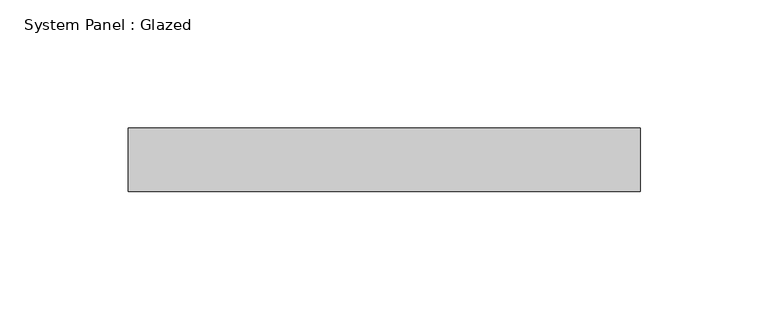
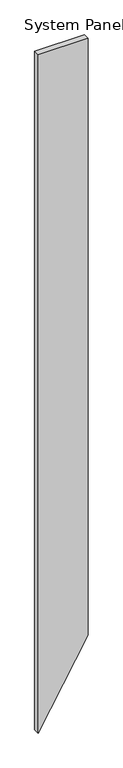
"""IFC4 building model written with IfcOpenShell, lengths in millimetres: plate geometry, System Panel : Glazed."""

from ifc_helpers import new_model, si_unit, frame, origin, place, context, project, spatial, polyline, outline, extrude, source, transform, mapped, element, save


def system_panel_glazed_8a9da0a7(model_context):
    return source(origin(), model_context, "Body", "SweptSolid", [
        extrude(outline(polyline([(0.0, -100.0), (346.4101615, 100.0), (2882.3085458, 100.0), (2882.3085458, -100.0), (0.0, -100.0)])), frame((0.0, 24.5, 0.0), z_axis=(0.0, 1.0, 0.0), x_axis=(0.0, 0.0, 1.0)), (0.0, 0.0, 1.0), 25.0),
    ])


if __name__ == "__main__":
    model = new_model("IFC4")
    model_context = context("Model", 3, world=origin())
    ifc_project = project(units=[si_unit("LENGTHUNIT", "METRE", prefix="MILLI")], contexts=[model_context])
    site = spatial("IfcSite", under=ifc_project)
    building = spatial("IfcBuilding", under=site)
    placement = place(None, origin())
    system_panel_glazed_shape = system_panel_glazed_8a9da0a7(model_context)
    element("IfcPlate", 1, ObjectType="System Panel : Glazed", at=placement, inside=building, context=model_context, shape_type="MappedRepresentation", body=[
        mapped(system_panel_glazed_shape, transform((0.0, 0.0, 0.0), x_axis=(1.0, 0.0, 0.0), y_axis=(0.0, 1.0, 0.0), z_axis=(0.0, 0.0, 1.0))),
    ])
    save(model, "model.ifc")
